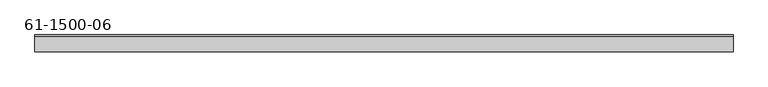
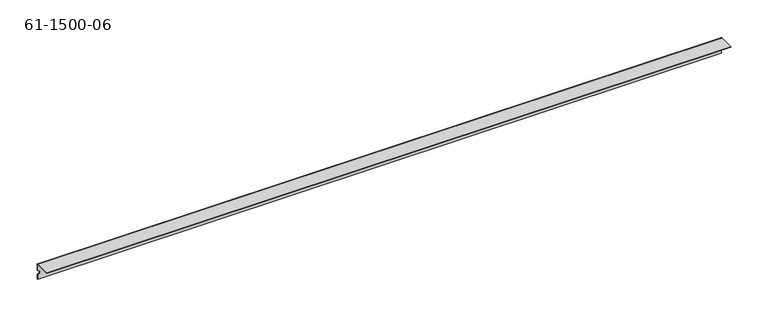
"""IFC4 building model written with IfcOpenShell, lengths in millimetres: proxy geometry, 61-1500-06."""

from ifc_helpers import new_model, si_unit, frame, origin, place, context, project, spatial, polyline, circle_curve, source, transform, mapped, element, save
from ifc_brep_helpers import plane_surface, cylinder_surface, revolved_surface, advanced_brep


def proxy_61_1500_06_6f5df3da(model_context):
    return source(origin(), model_context, "Body", "AdvancedBrep", [
        advanced_brep(
        [(182.7812817, 47.2527267, -13.55344), (182.7812817, 46.3992867, -13.55344), (176.4312817, 46.3992867, -13.55344), (176.4312817, 47.2527267, -13.55344), (127.3381617, 47.2527267, -13.55344), (127.3381617, 46.3992867, -13.55344), (120.9881617, 46.3992867, -13.55344), (120.9881617, 47.2527267, -13.55344), (-352.4246583, 47.2527267, -13.55344), (-352.4246583, 46.3992867, -13.55344), (-358.7746583, 46.3992867, -13.55344), (-358.7746583, 47.2527267, -13.55344), (662.5441017, 47.2527267, -13.55344), (662.5441017, 46.3992867, -13.55344), (656.1941017, 46.3992867, -13.55344), (656.1941017, 47.2527267, -13.55344), (635.3368917, 47.2527267, -11.2509844), (635.3368917, 46.3992867, -11.2509844), (631.9078917, 46.3992867, -11.2509844), (631.9078917, 47.2527267, -11.2509844), (495.6368917, 47.2527267, -11.2509844), (495.6368917, 46.3992867, -11.2509844), (492.2078917, 46.3992867, -11.2509844), (492.2078917, 47.2527267, -11.2509844), (355.9368917, 47.2527267, -11.2509844), (355.9368917, 46.3992867, -11.2509844), (352.5078917, 46.3992867, -11.2509844), (352.5078917, 47.2527267, -11.2509844), (216.2368917, 47.2527267, -11.2509844), (216.2368917, 46.3992867, -11.2509844), (212.8078917, 46.3992867, -11.2509844), (212.8078917, 47.2527267, -11.2509844), (-326.6195283, 47.2527267, -11.2509842), (-326.6195283, 46.3992867, -11.2509842), (-330.0485283, 46.3992867, -11.2509842), (-330.0485283, 47.2527267, -11.2509842), (-186.9195283, 47.2527267, -11.2509842), (-186.9195283, 46.3992867, -11.2509842), (-190.3485283, 46.3992867, -11.2509842), (-190.3485283, 47.2527267, -11.2509842), (-47.2195283, 47.2527267, -11.2509842), (-47.2195283, 46.3992867, -11.2509842), (-50.6485283, 46.3992867, -11.2509842), (-50.6485283, 47.2527267, -11.2509842), (92.4804717, 47.2527267, -11.2509842), (92.4804717, 46.3992867, -11.2509842), (89.0514717, 46.3992867, -11.2509842), (89.0514717, 47.2527267, -11.2509842), (-376.6003783, 46.3992867, -10.37844), (-376.6003783, 47.2527267, -10.37844), (-376.6003783, 47.2527267, -16.72844), (-376.6003783, 46.3992867, -16.72844), (-376.6003783, 47.2527267, -24.54656), (-376.6003783, 46.3992867, -24.54656), (680.3698217, 46.3992867, -24.54656), (680.3698217, 46.3992867, -0.85344), (-376.6003783, 46.3992867, -0.85344), (680.3698217, 47.2527267, -0.85344), (-376.6003783, 47.2527267, -0.85344), (-376.6003783, 45.5458467, 0.85344), (680.3698217, 45.5458467, 0.85344), (680.3698217, 45.5458467, 0.0), (-376.6003783, 45.5458467, 0.0), (-376.6003783, 21.8527267, 0.85344), (680.3698217, 21.8527267, 0.85344), (-376.6003783, 21.8527267, 0.0), (680.3698217, 21.8527267, 0.0), (680.3698217, 47.2527267, -24.54656)],
        [
            (0, 1),
            (1, 2, circle_curve(frame((179.6062817, 46.3992867, -13.55344), z_axis=(0.0, -1.0, 0.0), x_axis=(1.0, 0.0, 0.0)), 3.175)),
            (2, 3),
            (3, 0, circle_curve(frame((179.6062817, 47.2527267, -13.55344), z_axis=(0.0, 1.0, 0.0), x_axis=(1.0, 0.0, 0.0)), 3.175)),
            (4, 5),
            (5, 6, circle_curve(frame((124.1631617, 46.3992867, -13.55344), z_axis=(0.0, -1.0, 0.0), x_axis=(1.0, 0.0, 0.0)), 3.175)),
            (6, 7),
            (7, 4, circle_curve(frame((124.1631617, 47.2527267, -13.55344), z_axis=(0.0, 1.0, 0.0), x_axis=(1.0, 0.0, 0.0)), 3.175)),
            (8, 9),
            (9, 10, circle_curve(frame((-355.5996583, 46.3992867, -13.55344), z_axis=(0.0, -1.0, 0.0), x_axis=(1.0, 0.0, 0.0)), 3.175)),
            (10, 11),
            (11, 8, circle_curve(frame((-355.5996583, 47.2527267, -13.55344), z_axis=(0.0, 1.0, 0.0), x_axis=(1.0, 0.0, 0.0)), 3.175)),
            (12, 13),
            (13, 14, circle_curve(frame((659.3691017, 46.3992867, -13.55344), z_axis=(0.0, -1.0, 0.0), x_axis=(1.0, 0.0, 0.0)), 3.175)),
            (14, 15),
            (15, 12, circle_curve(frame((659.3691017, 47.2527267, -13.55344), z_axis=(0.0, 1.0, 0.0), x_axis=(1.0, 0.0, 0.0)), 3.175)),
            (16, 17),
            (17, 18, circle_curve(frame((633.6223917, 46.3992867, -11.2509844), z_axis=(0.0, -1.0, 0.0), x_axis=(1.0, 0.0, 0.0)), 1.7145)),
            (18, 19),
            (19, 16, circle_curve(frame((633.6223917, 47.2527267, -11.2509844), z_axis=(0.0, 1.0, 0.0), x_axis=(1.0, 0.0, 0.0)), 1.7145)),
            (20, 21),
            (21, 22, circle_curve(frame((493.9223917, 46.3992867, -11.2509844), z_axis=(0.0, -1.0, 0.0), x_axis=(1.0, 0.0, 0.0)), 1.7145)),
            (22, 23),
            (23, 20, circle_curve(frame((493.9223917, 47.2527267, -11.2509844), z_axis=(0.0, 1.0, 0.0), x_axis=(1.0, 0.0, 0.0)), 1.7145)),
            (24, 25),
            (25, 26, circle_curve(frame((354.2223917, 46.3992867, -11.2509844), z_axis=(0.0, -1.0, 0.0), x_axis=(1.0, 0.0, 0.0)), 1.7145)),
            (26, 27),
            (27, 24, circle_curve(frame((354.2223917, 47.2527267, -11.2509844), z_axis=(0.0, 1.0, 0.0), x_axis=(1.0, 0.0, 0.0)), 1.7145)),
            (28, 29),
            (29, 30, circle_curve(frame((214.5223917, 46.3992867, -11.2509844), z_axis=(0.0, -1.0, 0.0), x_axis=(1.0, 0.0, 0.0)), 1.7145)),
            (30, 31),
            (31, 28, circle_curve(frame((214.5223917, 47.2527267, -11.2509844), z_axis=(0.0, 1.0, 0.0), x_axis=(1.0, 0.0, 0.0)), 1.7145)),
            (32, 33),
            (33, 34, circle_curve(frame((-328.3340283, 46.3992867, -11.2509842), z_axis=(0.0, -1.0, 0.0), x_axis=(1.0, 0.0, 0.0)), 1.7145)),
            (34, 35),
            (35, 32, circle_curve(frame((-328.3340283, 47.2527267, -11.2509842), z_axis=(0.0, 1.0, 0.0), x_axis=(1.0, 0.0, 0.0)), 1.7145)),
            (36, 37),
            (37, 38, circle_curve(frame((-188.6340283, 46.3992867, -11.2509842), z_axis=(0.0, -1.0, 0.0), x_axis=(1.0, 0.0, 0.0)), 1.7145)),
            (38, 39),
            (39, 36, circle_curve(frame((-188.6340283, 47.2527267, -11.2509842), z_axis=(0.0, 1.0, 0.0), x_axis=(1.0, 0.0, 0.0)), 1.7145)),
            (40, 41),
            (41, 42, circle_curve(frame((-48.9340283, 46.3992867, -11.2509842), z_axis=(0.0, -1.0, 0.0), x_axis=(1.0, 0.0, 0.0)), 1.7145)),
            (42, 43),
            (43, 40, circle_curve(frame((-48.9340283, 47.2527267, -11.2509842), z_axis=(0.0, 1.0, 0.0), x_axis=(1.0, 0.0, 0.0)), 1.7145)),
            (44, 45),
            (45, 46, circle_curve(frame((90.7659717, 46.3992867, -11.2509842), z_axis=(0.0, -1.0, 0.0), x_axis=(1.0, 0.0, 0.0)), 1.7145)),
            (46, 47),
            (47, 44, circle_curve(frame((90.7659717, 47.2527267, -11.2509842), z_axis=(0.0, 1.0, 0.0), x_axis=(1.0, 0.0, 0.0)), 1.7145)),
            (44, 47, circle_curve(frame((90.7659717, 47.2527267, -11.2509842), z_axis=(0.0, 1.0, 0.0), x_axis=(1.0, 0.0, 0.0)), 1.7145)),
            (46, 45, circle_curve(frame((90.7659717, 46.3992867, -11.2509842), z_axis=(0.0, -1.0, 0.0), x_axis=(1.0, 0.0, 0.0)), 1.7145)),
            (40, 43, circle_curve(frame((-48.9340283, 47.2527267, -11.2509842), z_axis=(0.0, 1.0, 0.0), x_axis=(1.0, 0.0, 0.0)), 1.7145)),
            (42, 41, circle_curve(frame((-48.9340283, 46.3992867, -11.2509842), z_axis=(0.0, -1.0, 0.0), x_axis=(1.0, 0.0, 0.0)), 1.7145)),
            (36, 39, circle_curve(frame((-188.6340283, 47.2527267, -11.2509842), z_axis=(0.0, 1.0, 0.0), x_axis=(1.0, 0.0, 0.0)), 1.7145)),
            (38, 37, circle_curve(frame((-188.6340283, 46.3992867, -11.2509842), z_axis=(0.0, -1.0, 0.0), x_axis=(1.0, 0.0, 0.0)), 1.7145)),
            (32, 35, circle_curve(frame((-328.3340283, 47.2527267, -11.2509842), z_axis=(0.0, 1.0, 0.0), x_axis=(1.0, 0.0, 0.0)), 1.7145)),
            (34, 33, circle_curve(frame((-328.3340283, 46.3992867, -11.2509842), z_axis=(0.0, -1.0, 0.0), x_axis=(1.0, 0.0, 0.0)), 1.7145)),
            (28, 31, circle_curve(frame((214.5223917, 47.2527267, -11.2509844), z_axis=(0.0, 1.0, 0.0), x_axis=(1.0, 0.0, 0.0)), 1.7145)),
            (30, 29, circle_curve(frame((214.5223917, 46.3992867, -11.2509844), z_axis=(0.0, -1.0, 0.0), x_axis=(1.0, 0.0, 0.0)), 1.7145)),
            (24, 27, circle_curve(frame((354.2223917, 47.2527267, -11.2509844), z_axis=(0.0, 1.0, 0.0), x_axis=(1.0, 0.0, 0.0)), 1.7145)),
            (26, 25, circle_curve(frame((354.2223917, 46.3992867, -11.2509844), z_axis=(0.0, -1.0, 0.0), x_axis=(1.0, 0.0, 0.0)), 1.7145)),
            (20, 23, circle_curve(frame((493.9223917, 47.2527267, -11.2509844), z_axis=(0.0, 1.0, 0.0), x_axis=(1.0, 0.0, 0.0)), 1.7145)),
            (22, 21, circle_curve(frame((493.9223917, 46.3992867, -11.2509844), z_axis=(0.0, -1.0, 0.0), x_axis=(1.0, 0.0, 0.0)), 1.7145)),
            (16, 19, circle_curve(frame((633.6223917, 47.2527267, -11.2509844), z_axis=(0.0, 1.0, 0.0), x_axis=(1.0, 0.0, 0.0)), 1.7145)),
            (18, 17, circle_curve(frame((633.6223917, 46.3992867, -11.2509844), z_axis=(0.0, -1.0, 0.0), x_axis=(1.0, 0.0, 0.0)), 1.7145)),
            (12, 15, circle_curve(frame((659.3691017, 47.2527267, -13.55344), z_axis=(0.0, 1.0, 0.0), x_axis=(1.0, 0.0, 0.0)), 3.175)),
            (14, 13, circle_curve(frame((659.3691017, 46.3992867, -13.55344), z_axis=(0.0, -1.0, 0.0), x_axis=(1.0, 0.0, 0.0)), 3.175)),
            (8, 11, circle_curve(frame((-355.5996583, 47.2527267, -13.55344), z_axis=(0.0, 1.0, 0.0), x_axis=(1.0, 0.0, 0.0)), 3.175)),
            (10, 9, circle_curve(frame((-355.5996583, 46.3992867, -13.55344), z_axis=(0.0, -1.0, 0.0), x_axis=(1.0, 0.0, 0.0)), 3.175)),
            (48, 49),
            (49, 50, circle_curve(frame((-376.6003783, 47.2527267, -13.55344), z_axis=(0.0, 1.0, 0.0), x_axis=(1.0, 0.0, 0.0)), 3.175)),
            (50, 51),
            (51, 48, circle_curve(frame((-376.6003783, 46.3992867, -13.55344), z_axis=(0.0, -1.0, 0.0), x_axis=(1.0, 0.0, 0.0)), 3.175)),
            (50, 52),
            (52, 53),
            (53, 51),
            (53, 54),
            (54, 55),
            (55, 56),
            (56, 48),
            (1, 2, circle_curve(frame((179.6062817, 46.3992867, -13.55344), z_axis=(0.0, 1.0, 0.0), x_axis=(1.0, 0.0, 0.0)), 3.175)),
            (5, 6, circle_curve(frame((124.1631617, 46.3992867, -13.55344), z_axis=(0.0, 1.0, 0.0), x_axis=(1.0, 0.0, 0.0)), 3.175)),
            (4, 7, circle_curve(frame((124.1631617, 47.2527267, -13.55344), z_axis=(0.0, 1.0, 0.0), x_axis=(1.0, 0.0, 0.0)), 3.175)),
            (0, 3, circle_curve(frame((179.6062817, 47.2527267, -13.55344), z_axis=(0.0, 1.0, 0.0), x_axis=(1.0, 0.0, 0.0)), 3.175)),
            (57, 58),
            (58, 59, circle_curve(frame((-376.6003783, 45.5458467, -0.85344), z_axis=(1.0, 0.0, 0.0), x_axis=(0.0, 0.0, 1.0)), 1.70688)),
            (59, 60),
            (60, 57, circle_curve(frame((680.3698217, 45.5458467, -0.85344), z_axis=(-1.0, 0.0, 0.0), x_axis=(0.0, 0.0, 1.0)), 1.70688)),
            (55, 61, circle_curve(frame((680.3698217, 45.5458467, -0.85344), z_axis=(1.0, 0.0, 0.0), x_axis=(0.0, 0.0, 1.0)), 0.85344)),
            (61, 62),
            (62, 56, circle_curve(frame((-376.6003783, 45.5458467, -0.85344), z_axis=(-1.0, 0.0, 0.0), x_axis=(0.0, 0.0, 1.0)), 0.85344)),
            (59, 63),
            (63, 64),
            (64, 60),
            (63, 65),
            (65, 66),
            (66, 64),
            (61, 66),
            (65, 62),
            (58, 49),
            (57, 67),
            (67, 52),
            (54, 67),
        ],
        [
            revolved_surface(polyline([(182.78128170000002, 46.3992867, -13.55344), (182.78128170000002, 47.2527267, -13.55344)]), (179.6062817, 55.9242867, -13.55344), (0.0, -1.0, 0.0)),
            revolved_surface(polyline([(127.3381617, 46.3992867, -13.55344), (127.3381617, 47.2527267, -13.55344)]), (124.1631617, 55.9242867, -13.55344), (0.0, -1.0, 0.0)),
            revolved_surface(polyline([(-352.4246583, 46.3992867, -13.55344), (-352.4246583, 47.2527267, -13.55344)]), (-355.5996583, 55.9242867, -13.55344), (0.0, -1.0, 0.0)),
            revolved_surface(polyline([(662.5441016999999, 46.3992867, -13.55344), (662.5441016999999, 47.2527267, -13.55344)]), (659.3691017, 55.9242867, -13.55344), (0.0, -1.0, 0.0)),
            revolved_surface(polyline([(635.3368917, 46.3992867, -11.2509844), (635.3368917, 47.2527267, -11.2509844)]), (633.6223917, 55.9242867, -11.2509844), (0.0, -1.0, 0.0)),
            revolved_surface(polyline([(495.6368917, 46.3992867, -11.2509844), (495.6368917, 47.2527267, -11.2509844)]), (493.9223917, 55.9242867, -11.2509844), (0.0, -1.0, 0.0)),
            revolved_surface(polyline([(355.9368917, 46.3992867, -11.2509844), (355.9368917, 47.2527267, -11.2509844)]), (354.2223917, 55.9242867, -11.2509844), (0.0, -1.0, 0.0)),
            revolved_surface(polyline([(216.23689169999997, 46.3992867, -11.2509844), (216.23689169999997, 47.2527267, -11.2509844)]), (214.5223917, 55.9242867, -11.2509844), (0.0, -1.0, 0.0)),
            revolved_surface(polyline([(-326.6195283, 46.3992867, -11.2509842), (-326.6195283, 47.2527267, -11.2509842)]), (-328.3340283, 55.9242867, -11.2509842), (0.0, -1.0, 0.0)),
            revolved_surface(polyline([(-186.91952830000002, 46.3992867, -11.2509842), (-186.91952830000002, 47.2527267, -11.2509842)]), (-188.6340283, 55.9242867, -11.2509842), (0.0, -1.0, 0.0)),
            revolved_surface(polyline([(-47.2195283, 46.3992867, -11.2509842), (-47.2195283, 47.2527267, -11.2509842)]), (-48.9340283, 55.9242867, -11.2509842), (0.0, -1.0, 0.0)),
            revolved_surface(polyline([(92.4804717, 46.3992867, -11.2509842), (92.4804717, 47.2527267, -11.2509842)]), (90.7659717, 55.9242867, -11.2509842), (0.0, -1.0, 0.0)),
            revolved_surface(polyline([(-373.4253783, 46.3992867, -13.55344), (-373.4253783, 47.2527267, -13.55344)]), (-376.6003783, 55.9242867, -13.55344), (0.0, -1.0, 0.0)),
            plane_surface(frame((-376.6003783, 47.2527267, -24.54656), z_axis=(-1.0, 0.0, 0.0), x_axis=(0.0, 0.0, 1.0))),
            plane_surface(frame((151.8847217, 46.3992867, -11.84656), z_axis=(0.0, -1.0, 0.0), x_axis=(0.0, 0.0, 1.0))),
            cylinder_surface(frame((151.8847217, 45.5458467, -0.85344), z_axis=(-1.0, 0.0, 0.0), x_axis=(0.0, 0.0, 1.0)), 1.70688),
            revolved_surface(polyline([(-376.6003783, 45.5458467, 0.0), (680.3698217, 45.5458467, 0.0)]), (151.8847217, 45.5458467, -0.85344), (-1.0, 0.0, 0.0)),
            plane_surface(frame((151.8847217, 34.5527267, 0.85344), z_axis=(0.0, 0.0, 1.0), x_axis=(1.0, 0.0, 0.0))),
            plane_surface(frame((680.3698217, 21.8527267, 0.0), z_axis=(0.0, -1.0, 0.0), x_axis=(0.0, 0.0, -1.0))),
            plane_surface(frame((151.8847217, 34.5527267, 0.0), z_axis=(0.0, 0.0, -1.0), x_axis=(1.0, 0.0, 0.0))),
            plane_surface(frame((151.8847217, 47.2527267, -11.84656), z_axis=(0.0, 1.0, 0.0), x_axis=(0.0, 0.0, 1.0))),
            plane_surface(frame((680.3698217, 47.2527267, 0.85344), z_axis=(1.0, 0.0, 0.0), x_axis=(0.0, 0.0, -1.0))),
            plane_surface(frame((680.3698217, 47.2527267, -24.54656), z_axis=(0.0, 0.0, -1.0), x_axis=(-1.0, 0.0, 0.0))),
        ],
        [
            (0, [[1, 2, 3, 4]]),
            (1, [[5, 6, 7, 8]]),
            (2, [[9, 10, 11, 12]]),
            (3, [[13, 14, 15, 16]]),
            (4, [[17, 18, 19, 20]]),
            (5, [[21, 22, 23, 24]]),
            (6, [[25, 26, 27, 28]]),
            (7, [[29, 30, 31, 32]]),
            (8, [[33, 34, 35, 36]]),
            (9, [[37, 38, 39, 40]]),
            (10, [[41, 42, 43, 44]]),
            (11, [[45, 46, 47, 48]]),
            (11, [[-45, 49, -47, 50]]),
            (10, [[-41, 51, -43, 52]]),
            (9, [[-37, 53, -39, 54]]),
            (8, [[-33, 55, -35, 56]]),
            (7, [[-29, 57, -31, 58]]),
            (6, [[-25, 59, -27, 60]]),
            (5, [[-21, 61, -23, 62]]),
            (4, [[-17, 63, -19, 64]]),
            (3, [[-13, 65, -15, 66]]),
            (2, [[-9, 67, -11, 68]]),
            (12, [[69, 70, 71, 72]]),
            (13, [[-71, 73, 74, 75]]),
            (14, [[-72, -75, 76, 77, 78, 79], [-50, -46], [-52, -42], [-54, -38], [-56, -34], [-58, -30], [-60, -26], [-62, -22], [-64, -18], [-66, -14], [-68, -10], [80, -2], [81, -6]]),
            (1, [[-5, 82, -7, -81]]),
            (0, [[-1, 83, -3, -80]]),
            (15, [[84, 85, 86, 87]]),
            (16, [[-78, 88, 89, 90]]),
            (17, [[-86, 91, 92, 93]]),
            (18, [[-92, 94, 95, 96]]),
            (19, [[-89, 97, -95, 98]]),
            (13, [[-69, -79, -90, -98, -94, -91, -85, 99]]),
            (20, [[-70, -99, -84, 100, 101, -73], [-49, -48], [-51, -44], [-53, -40], [-55, -36], [-57, -32], [-59, -28], [-61, -24], [-63, -20], [-65, -16], [-67, -12], [-82, -8], [-83, -4]]),
            (21, [[-77, 102, -100, -87, -93, -96, -97, -88]]),
            (22, [[-76, -74, -101, -102]]),
        ],
    ),
    ])


if __name__ == "__main__":
    model = new_model("IFC4")
    model_context = context("Model", 3, world=origin())
    ifc_project = project(units=[si_unit("LENGTHUNIT", "METRE", prefix="MILLI")], contexts=[model_context])
    site = spatial("IfcSite", under=ifc_project)
    building = spatial("IfcBuilding", under=site)
    placement = place(None, origin())
    proxy_61_1500_06_shape = proxy_61_1500_06_6f5df3da(model_context)
    element("IfcBuildingElementProxy", 1, Name="61-1500-06", ObjectType="61-1500-06", at=placement, inside=building, context=model_context, shape_type="MappedRepresentation", body=[
        mapped(proxy_61_1500_06_shape, transform((0.0, 0.0, 0.0), x_axis=(1.0, 0.0, 0.0), y_axis=(0.0, 1.0, 0.0), z_axis=(0.0, 0.0, 1.0))),
    ])
    save(model, "model.ifc")
